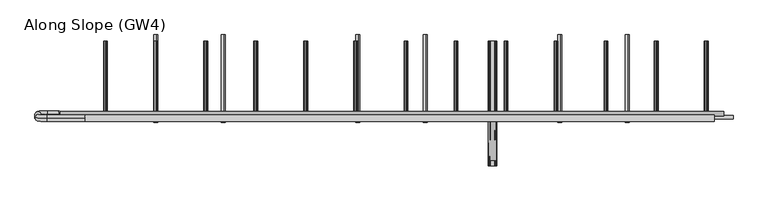
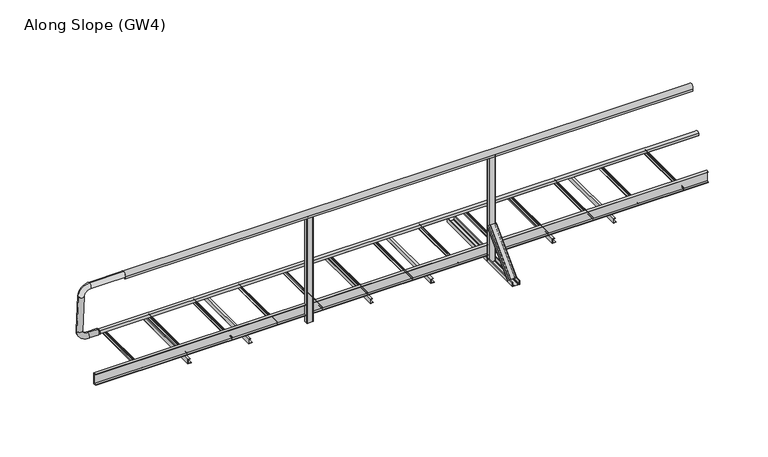
"""IFC4 building model written with IfcOpenShell, lengths in millimetres: proxy geometry, Along Slope (GW4)."""

from ifc_helpers import new_model, si_unit, point, frame, frame_2d, origin, place, context, project, spatial, polyline, circle_curve, ellipse_curve, trimmed, segment, composite_curve, outline, extrude, source, transform, mapped, element, save
from ifc_brep_helpers import plane_surface, cylinder_surface, revolved_surface, extruded_surface, advanced_brep


def along_slope_gw4_7d878443(model_context):
    return source(origin(), model_context, "Body", "SolidModel", [
        extrude(outline(polyline([(-622.0, 63.0), (-622.0, 66.0), (-600.0, 66.0), (-600.0, 160.0), (-622.0, 160.0), (-622.0, 163.0), (-597.0, 163.0), (-597.0, 63.0), (-622.0, 63.0)])), frame((0.0, 0.0, 0.0), z_axis=(1.0, 0.0, 0.0), x_axis=(0.0, 1.0, 0.0)), (0.0, 0.0, 1.0), 5430.0),
        extrude(outline(polyline([(2e-07, 4598.7777778), (2.0000002, 4598.7777778), (2.0000002, 4570.7777778), (38.0000002, 4570.7777778), (38.0000002, 4588.7777778), (40.0000002, 4588.7777778), (40.0000002, 4568.7777778), (2e-07, 4568.7777778), (2e-07, 4598.7777778)])), frame((0.0, -650.0, 0.0), z_axis=(0.0, 1.0, 0.0), x_axis=(0.0, 0.0, 1.0)), (0.0, 0.0, 1.0), 700.0),
        extrude(outline(polyline([(2e-07, 4060.5555556), (2.0000002, 4060.5555556), (2.0000002, 4032.5555556), (38.0000002, 4032.5555556), (38.0000002, 4050.5555556), (40.0000002, 4050.5555556), (40.0000002, 4030.5555556), (2e-07, 4030.5555556), (2e-07, 4060.5555556)])), frame((0.0, -650.0, 0.0), z_axis=(0.0, 1.0, 0.0), x_axis=(0.0, 0.0, 1.0)), (0.0, 0.0, 1.0), 700.0),
        extrude(outline(composite_curve([segment(trimmed(circle_curve(frame_2d((62.9683907, 5223.75)), 6.25), [point((67.8614305, 5219.8614704))], [point((60.2402402, 5218.1268608))], False, "CARTESIAN"), True, "CONTINUOUS"), segment(trimmed(circle_curve(frame_2d((59.3468026, 5216.2853478)), 2.0468026), [point((60.2402402, 5218.1268608))], [point((57.3, 5216.2853478))], True, "CARTESIAN"), True, "CONTINUOUS"), segment(polyline([(57.3, 5216.2853478), (57.3, 5201.5)]), True, "CONTINUOUS"), segment(trimmed(circle_curve(frame_2d((55.8, 5201.5)), 1.5), [point((57.3, 5201.5))], [point((55.8, 5200.0))], False, "CARTESIAN"), True, "CONTINUOUS"), segment(polyline([(55.8, 5200.0), (55.0, 5200.0), (55.0, 5221.9783691)]), True, "CONTINUOUS"), segment(trimmed(circle_curve(frame_2d((64.084859, 5221.098018)), 9.1274138), [point((55.0, 5221.9783691))], [point((60.5433217, 5229.510342))], False, "CARTESIAN"), True, "CONTINUOUS"), segment(trimmed(circle_curve(frame_2d((62.9683907, 5223.75)), 6.25), [point((60.5433217, 5229.510342))], [point((67.8614305, 5227.6385296))], False, "CARTESIAN"), True, "CONTINUOUS"), segment(trimmed(circle_curve(frame_2d((67.2653483, 5227.1648193)), 0.7613904), [point((67.8614305, 5227.6385296))], [point((66.7916381, 5226.5687372))], False, "CARTESIAN"), True, "CONTINUOUS"), segment(trimmed(circle_curve(frame_2d((62.9683907, 5223.75)), 4.75), [point((66.7916381, 5226.5687372))], [point((66.7916381, 5220.9312628))], True, "CARTESIAN"), True, "CONTINUOUS"), segment(trimmed(circle_curve(frame_2d((67.2653483, 5220.3351807)), 0.7613904), [point((66.7916381, 5220.9312628))], [point((67.8614305, 5219.8614704))], False, "CARTESIAN"), True, "CONTINUOUS")], self_intersect=False)), frame((0.0, -600.0, 0.0), z_axis=(0.0, 1.0, 0.0), x_axis=(0.0, 0.0, 1.0)), (0.0, 0.0, 1.0), 600.0),
        extrude(outline(composite_curve([segment(trimmed(circle_curve(frame_2d((62.9683907, 4823.75)), 6.25), [point((67.8614305, 4819.8614704))], [point((60.2402402, 4818.1268608))], False, "CARTESIAN"), True, "CONTINUOUS"), segment(trimmed(circle_curve(frame_2d((59.3468026, 4816.2853478)), 2.0468026), [point((60.2402402, 4818.1268608))], [point((57.3, 4816.2853478))], True, "CARTESIAN"), True, "CONTINUOUS"), segment(polyline([(57.3, 4816.2853478), (57.3, 4801.5)]), True, "CONTINUOUS"), segment(trimmed(circle_curve(frame_2d((55.8, 4801.5)), 1.5), [point((57.3, 4801.5))], [point((55.8, 4800.0))], False, "CARTESIAN"), True, "CONTINUOUS"), segment(polyline([(55.8, 4800.0), (55.0, 4800.0), (55.0, 4821.9783691)]), True, "CONTINUOUS"), segment(trimmed(circle_curve(frame_2d((64.084859, 4821.098018)), 9.1274138), [point((55.0, 4821.9783691))], [point((60.5433217, 4829.510342))], False, "CARTESIAN"), True, "CONTINUOUS"), segment(trimmed(circle_curve(frame_2d((62.9683907, 4823.75)), 6.25), [point((60.5433217, 4829.510342))], [point((67.8614305, 4827.6385296))], False, "CARTESIAN"), True, "CONTINUOUS"), segment(trimmed(circle_curve(frame_2d((67.2653483, 4827.1648193)), 0.7613904), [point((67.8614305, 4827.6385296))], [point((66.7916381, 4826.5687372))], False, "CARTESIAN"), True, "CONTINUOUS"), segment(trimmed(circle_curve(frame_2d((62.9683907, 4823.75)), 4.75), [point((66.7916381, 4826.5687372))], [point((66.7916381, 4820.9312628))], True, "CARTESIAN"), True, "CONTINUOUS"), segment(trimmed(circle_curve(frame_2d((67.2653483, 4820.3351807)), 0.7613904), [point((66.7916381, 4820.9312628))], [point((67.8614305, 4819.8614704))], False, "CARTESIAN"), True, "CONTINUOUS")], self_intersect=False)), frame((0.0, -600.0, 0.0), z_axis=(0.0, 1.0, 0.0), x_axis=(0.0, 0.0, 1.0)), (0.0, 0.0, 1.0), 600.0),
        extrude(outline(composite_curve([segment(trimmed(circle_curve(frame_2d((62.9683907, 4423.75)), 6.25), [point((67.8614305, 4419.8614704))], [point((60.2402402, 4418.1268608))], False, "CARTESIAN"), True, "CONTINUOUS"), segment(trimmed(circle_curve(frame_2d((59.3468026, 4416.2853478)), 2.0468026), [point((60.2402402, 4418.1268608))], [point((57.3, 4416.2853478))], True, "CARTESIAN"), True, "CONTINUOUS"), segment(polyline([(57.3, 4416.2853478), (57.3, 4401.5)]), True, "CONTINUOUS"), segment(trimmed(circle_curve(frame_2d((55.8, 4401.5)), 1.5), [point((57.3, 4401.5))], [point((55.8, 4400.0))], False, "CARTESIAN"), True, "CONTINUOUS"), segment(polyline([(55.8, 4400.0), (55.0, 4400.0), (55.0, 4421.9783691)]), True, "CONTINUOUS"), segment(trimmed(circle_curve(frame_2d((64.084859, 4421.098018)), 9.1274138), [point((55.0, 4421.9783691))], [point((60.5433217, 4429.510342))], False, "CARTESIAN"), True, "CONTINUOUS"), segment(trimmed(circle_curve(frame_2d((62.9683907, 4423.75)), 6.25), [point((60.5433217, 4429.510342))], [point((67.8614305, 4427.6385296))], False, "CARTESIAN"), True, "CONTINUOUS"), segment(trimmed(circle_curve(frame_2d((67.2653483, 4427.1648193)), 0.7613904), [point((67.8614305, 4427.6385296))], [point((66.7916381, 4426.5687372))], False, "CARTESIAN"), True, "CONTINUOUS"), segment(trimmed(circle_curve(frame_2d((62.9683907, 4423.75)), 4.75), [point((66.7916381, 4426.5687372))], [point((66.7916381, 4420.9312628))], True, "CARTESIAN"), True, "CONTINUOUS"), segment(trimmed(circle_curve(frame_2d((67.2653483, 4420.3351807)), 0.7613904), [point((66.7916381, 4420.9312628))], [point((67.8614305, 4419.8614704))], False, "CARTESIAN"), True, "CONTINUOUS")], self_intersect=False)), frame((0.0, -600.0, 0.0), z_axis=(0.0, 1.0, 0.0), x_axis=(0.0, 0.0, 1.0)), (0.0, 0.0, 1.0), 600.0),
        extrude(outline(composite_curve([segment(trimmed(circle_curve(frame_2d((62.9683907, 4023.75)), 6.25), [point((67.8614305, 4019.8614704))], [point((60.2402402, 4018.1268608))], False, "CARTESIAN"), True, "CONTINUOUS"), segment(trimmed(circle_curve(frame_2d((59.3468026, 4016.2853478)), 2.0468026), [point((60.2402402, 4018.1268608))], [point((57.3, 4016.2853478))], True, "CARTESIAN"), True, "CONTINUOUS"), segment(polyline([(57.3, 4016.2853478), (57.3, 4001.5)]), True, "CONTINUOUS"), segment(trimmed(circle_curve(frame_2d((55.8, 4001.5)), 1.5), [point((57.3, 4001.5))], [point((55.8, 4000.0))], False, "CARTESIAN"), True, "CONTINUOUS"), segment(polyline([(55.8, 4000.0), (55.0, 4000.0), (55.0, 4021.9783691)]), True, "CONTINUOUS"), segment(trimmed(circle_curve(frame_2d((64.084859, 4021.098018)), 9.1274138), [point((55.0, 4021.9783691))], [point((60.5433217, 4029.510342))], False, "CARTESIAN"), True, "CONTINUOUS"), segment(trimmed(circle_curve(frame_2d((62.9683907, 4023.75)), 6.25), [point((60.5433217, 4029.510342))], [point((67.8614305, 4027.6385296))], False, "CARTESIAN"), True, "CONTINUOUS"), segment(trimmed(circle_curve(frame_2d((67.2653483, 4027.1648193)), 0.7613904), [point((67.8614305, 4027.6385296))], [point((66.7916381, 4026.5687372))], False, "CARTESIAN"), True, "CONTINUOUS"), segment(trimmed(circle_curve(frame_2d((62.9683907, 4023.75)), 4.75), [point((66.7916381, 4026.5687372))], [point((66.7916381, 4020.9312628))], True, "CARTESIAN"), True, "CONTINUOUS"), segment(trimmed(circle_curve(frame_2d((67.2653483, 4020.3351807)), 0.7613904), [point((66.7916381, 4020.9312628))], [point((67.8614305, 4019.8614704))], False, "CARTESIAN"), True, "CONTINUOUS")], self_intersect=False)), frame((0.0, -600.0, 0.0), z_axis=(0.0, 1.0, 0.0), x_axis=(0.0, 0.0, 1.0)), (0.0, 0.0, 1.0), 600.0),
        extrude(outline(composite_curve([segment(trimmed(circle_curve(frame_2d((62.9683907, 3623.75)), 6.25), [point((67.8614305, 3619.8614704))], [point((60.2402402, 3618.1268608))], False, "CARTESIAN"), True, "CONTINUOUS"), segment(trimmed(circle_curve(frame_2d((59.3468026, 3616.2853478)), 2.0468026), [point((60.2402402, 3618.1268608))], [point((57.3, 3616.2853478))], True, "CARTESIAN"), True, "CONTINUOUS"), segment(polyline([(57.3, 3616.2853478), (57.3, 3601.5)]), True, "CONTINUOUS"), segment(trimmed(circle_curve(frame_2d((55.8, 3601.5)), 1.5), [point((57.3, 3601.5))], [point((55.8, 3600.0))], False, "CARTESIAN"), True, "CONTINUOUS"), segment(polyline([(55.8, 3600.0), (55.0, 3600.0), (55.0, 3621.9783691)]), True, "CONTINUOUS"), segment(trimmed(circle_curve(frame_2d((64.084859, 3621.098018)), 9.1274138), [point((55.0, 3621.9783691))], [point((60.5433217, 3629.510342))], False, "CARTESIAN"), True, "CONTINUOUS"), segment(trimmed(circle_curve(frame_2d((62.9683907, 3623.75)), 6.25), [point((60.5433217, 3629.510342))], [point((67.8614305, 3627.6385296))], False, "CARTESIAN"), True, "CONTINUOUS"), segment(trimmed(circle_curve(frame_2d((67.2653483, 3627.1648193)), 0.7613904), [point((67.8614305, 3627.6385296))], [point((66.7916381, 3626.5687372))], False, "CARTESIAN"), True, "CONTINUOUS"), segment(trimmed(circle_curve(frame_2d((62.9683907, 3623.75)), 4.75), [point((66.7916381, 3626.5687372))], [point((66.7916381, 3620.9312628))], True, "CARTESIAN"), True, "CONTINUOUS"), segment(trimmed(circle_curve(frame_2d((67.2653483, 3620.3351807)), 0.7613904), [point((66.7916381, 3620.9312628))], [point((67.8614305, 3619.8614704))], False, "CARTESIAN"), True, "CONTINUOUS")], self_intersect=False)), frame((0.0, -600.0, 0.0), z_axis=(0.0, 1.0, 0.0), x_axis=(0.0, 0.0, 1.0)), (0.0, 0.0, 1.0), 600.0),
        extrude(outline(composite_curve([segment(trimmed(circle_curve(frame_2d((62.9683907, 3223.75)), 6.25), [point((67.8614305, 3219.8614704))], [point((60.2402402, 3218.1268608))], False, "CARTESIAN"), True, "CONTINUOUS"), segment(trimmed(circle_curve(frame_2d((59.3468026, 3216.2853478)), 2.0468026), [point((60.2402402, 3218.1268608))], [point((57.3, 3216.2853478))], True, "CARTESIAN"), True, "CONTINUOUS"), segment(polyline([(57.3, 3216.2853478), (57.3, 3201.5)]), True, "CONTINUOUS"), segment(trimmed(circle_curve(frame_2d((55.8, 3201.5)), 1.5), [point((57.3, 3201.5))], [point((55.8, 3200.0))], False, "CARTESIAN"), True, "CONTINUOUS"), segment(polyline([(55.8, 3200.0), (55.0, 3200.0), (55.0, 3221.9783691)]), True, "CONTINUOUS"), segment(trimmed(circle_curve(frame_2d((64.084859, 3221.098018)), 9.1274138), [point((55.0, 3221.9783691))], [point((60.5433217, 3229.510342))], False, "CARTESIAN"), True, "CONTINUOUS"), segment(trimmed(circle_curve(frame_2d((62.9683907, 3223.75)), 6.25), [point((60.5433217, 3229.510342))], [point((67.8614305, 3227.6385296))], False, "CARTESIAN"), True, "CONTINUOUS"), segment(trimmed(circle_curve(frame_2d((67.2653483, 3227.1648193)), 0.7613904), [point((67.8614305, 3227.6385296))], [point((66.7916381, 3226.5687372))], False, "CARTESIAN"), True, "CONTINUOUS"), segment(trimmed(circle_curve(frame_2d((62.9683907, 3223.75)), 4.75), [point((66.7916381, 3226.5687372))], [point((66.7916381, 3220.9312628))], True, "CARTESIAN"), True, "CONTINUOUS"), segment(trimmed(circle_curve(frame_2d((67.2653483, 3220.3351807)), 0.7613904), [point((66.7916381, 3220.9312628))], [point((67.8614305, 3219.8614704))], False, "CARTESIAN"), True, "CONTINUOUS")], self_intersect=False)), frame((0.0, -600.0, 0.0), z_axis=(0.0, 1.0, 0.0), x_axis=(0.0, 0.0, 1.0)), (0.0, 0.0, 1.0), 600.0),
        extrude(outline(composite_curve([segment(trimmed(circle_curve(frame_2d((62.9683907, 2823.75)), 6.25), [point((67.8614305, 2819.8614704))], [point((60.2402402, 2818.1268608))], False, "CARTESIAN"), True, "CONTINUOUS"), segment(trimmed(circle_curve(frame_2d((59.3468026, 2816.2853478)), 2.0468026), [point((60.2402402, 2818.1268608))], [point((57.3, 2816.2853478))], True, "CARTESIAN"), True, "CONTINUOUS"), segment(polyline([(57.3, 2816.2853478), (57.3, 2801.5)]), True, "CONTINUOUS"), segment(trimmed(circle_curve(frame_2d((55.8, 2801.5)), 1.5), [point((57.3, 2801.5))], [point((55.8, 2800.0))], False, "CARTESIAN"), True, "CONTINUOUS"), segment(polyline([(55.8, 2800.0), (55.0, 2800.0), (55.0, 2821.9783691)]), True, "CONTINUOUS"), segment(trimmed(circle_curve(frame_2d((64.084859, 2821.098018)), 9.1274138), [point((55.0, 2821.9783691))], [point((60.5433217, 2829.510342))], False, "CARTESIAN"), True, "CONTINUOUS"), segment(trimmed(circle_curve(frame_2d((62.9683907, 2823.75)), 6.25), [point((60.5433217, 2829.510342))], [point((67.8614305, 2827.6385296))], False, "CARTESIAN"), True, "CONTINUOUS"), segment(trimmed(circle_curve(frame_2d((67.2653483, 2827.1648193)), 0.7613904), [point((67.8614305, 2827.6385296))], [point((66.7916381, 2826.5687372))], False, "CARTESIAN"), True, "CONTINUOUS"), segment(trimmed(circle_curve(frame_2d((62.9683907, 2823.75)), 4.75), [point((66.7916381, 2826.5687372))], [point((66.7916381, 2820.9312628))], True, "CARTESIAN"), True, "CONTINUOUS"), segment(trimmed(circle_curve(frame_2d((67.2653483, 2820.3351807)), 0.7613904), [point((66.7916381, 2820.9312628))], [point((67.8614305, 2819.8614704))], False, "CARTESIAN"), True, "CONTINUOUS")], self_intersect=False)), frame((0.0, -600.0, 0.0), z_axis=(0.0, 1.0, 0.0), x_axis=(0.0, 0.0, 1.0)), (0.0, 0.0, 1.0), 600.0),
        extrude(outline(composite_curve([segment(trimmed(circle_curve(frame_2d((62.9683907, 2423.75)), 6.25), [point((67.8614305, 2419.8614704))], [point((60.2402402, 2418.1268608))], False, "CARTESIAN"), True, "CONTINUOUS"), segment(trimmed(circle_curve(frame_2d((59.3468026, 2416.2853478)), 2.0468026), [point((60.2402402, 2418.1268608))], [point((57.3, 2416.2853478))], True, "CARTESIAN"), True, "CONTINUOUS"), segment(polyline([(57.3, 2416.2853478), (57.3, 2401.5)]), True, "CONTINUOUS"), segment(trimmed(circle_curve(frame_2d((55.8, 2401.5)), 1.5), [point((57.3, 2401.5))], [point((55.8, 2400.0))], False, "CARTESIAN"), True, "CONTINUOUS"), segment(polyline([(55.8, 2400.0), (55.0, 2400.0), (55.0, 2421.9783691)]), True, "CONTINUOUS"), segment(trimmed(circle_curve(frame_2d((64.084859, 2421.098018)), 9.1274138), [point((55.0, 2421.9783691))], [point((60.5433217, 2429.510342))], False, "CARTESIAN"), True, "CONTINUOUS"), segment(trimmed(circle_curve(frame_2d((62.9683907, 2423.75)), 6.25), [point((60.5433217, 2429.510342))], [point((67.8614305, 2427.6385296))], False, "CARTESIAN"), True, "CONTINUOUS"), segment(trimmed(circle_curve(frame_2d((67.2653483, 2427.1648193)), 0.7613904), [point((67.8614305, 2427.6385296))], [point((66.7916381, 2426.5687372))], False, "CARTESIAN"), True, "CONTINUOUS"), segment(trimmed(circle_curve(frame_2d((62.9683907, 2423.75)), 4.75), [point((66.7916381, 2426.5687372))], [point((66.7916381, 2420.9312628))], True, "CARTESIAN"), True, "CONTINUOUS"), segment(trimmed(circle_curve(frame_2d((67.2653483, 2420.3351807)), 0.7613904), [point((66.7916381, 2420.9312628))], [point((67.8614305, 2419.8614704))], False, "CARTESIAN"), True, "CONTINUOUS")], self_intersect=False)), frame((0.0, -600.0, 0.0), z_axis=(0.0, 1.0, 0.0), x_axis=(0.0, 0.0, 1.0)), (0.0, 0.0, 1.0), 600.0),
        extrude(outline(composite_curve([segment(trimmed(circle_curve(frame_2d((62.9683907, 2023.75)), 6.25), [point((67.8614305, 2019.8614704))], [point((60.2402402, 2018.1268608))], False, "CARTESIAN"), True, "CONTINUOUS"), segment(trimmed(circle_curve(frame_2d((59.3468026, 2016.2853478)), 2.0468026), [point((60.2402402, 2018.1268608))], [point((57.3, 2016.2853478))], True, "CARTESIAN"), True, "CONTINUOUS"), segment(polyline([(57.3, 2016.2853478), (57.3, 2001.5)]), True, "CONTINUOUS"), segment(trimmed(circle_curve(frame_2d((55.8, 2001.5)), 1.5), [point((57.3, 2001.5))], [point((55.8, 2000.0))], False, "CARTESIAN"), True, "CONTINUOUS"), segment(polyline([(55.8, 2000.0), (55.0, 2000.0), (55.0, 2021.9783691)]), True, "CONTINUOUS"), segment(trimmed(circle_curve(frame_2d((64.084859, 2021.098018)), 9.1274138), [point((55.0, 2021.9783691))], [point((60.5433217, 2029.510342))], False, "CARTESIAN"), True, "CONTINUOUS"), segment(trimmed(circle_curve(frame_2d((62.9683907, 2023.75)), 6.25), [point((60.5433217, 2029.510342))], [point((67.8614305, 2027.6385296))], False, "CARTESIAN"), True, "CONTINUOUS"), segment(trimmed(circle_curve(frame_2d((67.2653483, 2027.1648193)), 0.7613904), [point((67.8614305, 2027.6385296))], [point((66.7916381, 2026.5687372))], False, "CARTESIAN"), True, "CONTINUOUS"), segment(trimmed(circle_curve(frame_2d((62.9683907, 2023.75)), 4.75), [point((66.7916381, 2026.5687372))], [point((66.7916381, 2020.9312628))], True, "CARTESIAN"), True, "CONTINUOUS"), segment(trimmed(circle_curve(frame_2d((67.2653483, 2020.3351807)), 0.7613904), [point((66.7916381, 2020.9312628))], [point((67.8614305, 2019.8614704))], False, "CARTESIAN"), True, "CONTINUOUS")], self_intersect=False)), frame((0.0, -600.0, 0.0), z_axis=(0.0, 1.0, 0.0), x_axis=(0.0, 0.0, 1.0)), (0.0, 0.0, 1.0), 600.0),
        extrude(outline(composite_curve([segment(trimmed(circle_curve(frame_2d((62.9683907, 1623.75)), 6.25), [point((67.8614305, 1619.8614704))], [point((60.2402402, 1618.1268608))], False, "CARTESIAN"), True, "CONTINUOUS"), segment(trimmed(circle_curve(frame_2d((59.3468026, 1616.2853478)), 2.0468026), [point((60.2402402, 1618.1268608))], [point((57.3, 1616.2853478))], True, "CARTESIAN"), True, "CONTINUOUS"), segment(polyline([(57.3, 1616.2853478), (57.3, 1601.5)]), True, "CONTINUOUS"), segment(trimmed(circle_curve(frame_2d((55.8, 1601.5)), 1.5), [point((57.3, 1601.5))], [point((55.8, 1600.0))], False, "CARTESIAN"), True, "CONTINUOUS"), segment(polyline([(55.8, 1600.0), (55.0, 1600.0), (55.0, 1621.9783691)]), True, "CONTINUOUS"), segment(trimmed(circle_curve(frame_2d((64.084859, 1621.098018)), 9.1274138), [point((55.0, 1621.9783691))], [point((60.5433217, 1629.510342))], False, "CARTESIAN"), True, "CONTINUOUS"), segment(trimmed(circle_curve(frame_2d((62.9683907, 1623.75)), 6.25), [point((60.5433217, 1629.510342))], [point((67.8614305, 1627.6385296))], False, "CARTESIAN"), True, "CONTINUOUS"), segment(trimmed(circle_curve(frame_2d((67.2653483, 1627.1648193)), 0.7613904), [point((67.8614305, 1627.6385296))], [point((66.7916381, 1626.5687372))], False, "CARTESIAN"), True, "CONTINUOUS"), segment(trimmed(circle_curve(frame_2d((62.9683907, 1623.75)), 4.75), [point((66.7916381, 1626.5687372))], [point((66.7916381, 1620.9312628))], True, "CARTESIAN"), True, "CONTINUOUS"), segment(trimmed(circle_curve(frame_2d((67.2653483, 1620.3351807)), 0.7613904), [point((66.7916381, 1620.9312628))], [point((67.8614305, 1619.8614704))], False, "CARTESIAN"), True, "CONTINUOUS")], self_intersect=False)), frame((0.0, -600.0, 0.0), z_axis=(0.0, 1.0, 0.0), x_axis=(0.0, 0.0, 1.0)), (0.0, 0.0, 1.0), 600.0),
        extrude(outline(composite_curve([segment(trimmed(circle_curve(frame_2d((62.9683907, 1223.75)), 6.25), [point((67.8614305, 1219.8614704))], [point((60.2402402, 1218.1268608))], False, "CARTESIAN"), True, "CONTINUOUS"), segment(trimmed(circle_curve(frame_2d((59.3468026, 1216.2853478)), 2.0468026), [point((60.2402402, 1218.1268608))], [point((57.3, 1216.2853478))], True, "CARTESIAN"), True, "CONTINUOUS"), segment(polyline([(57.3, 1216.2853478), (57.3, 1201.5)]), True, "CONTINUOUS"), segment(trimmed(circle_curve(frame_2d((55.8, 1201.5)), 1.5), [point((57.3, 1201.5))], [point((55.8, 1200.0))], False, "CARTESIAN"), True, "CONTINUOUS"), segment(polyline([(55.8, 1200.0), (55.0, 1200.0), (55.0, 1221.9783691)]), True, "CONTINUOUS"), segment(trimmed(circle_curve(frame_2d((64.084859, 1221.098018)), 9.1274138), [point((55.0, 1221.9783691))], [point((60.5433217, 1229.510342))], False, "CARTESIAN"), True, "CONTINUOUS"), segment(trimmed(circle_curve(frame_2d((62.9683907, 1223.75)), 6.25), [point((60.5433217, 1229.510342))], [point((67.8614305, 1227.6385296))], False, "CARTESIAN"), True, "CONTINUOUS"), segment(trimmed(circle_curve(frame_2d((67.2653483, 1227.1648193)), 0.7613904), [point((67.8614305, 1227.6385296))], [point((66.7916381, 1226.5687372))], False, "CARTESIAN"), True, "CONTINUOUS"), segment(trimmed(circle_curve(frame_2d((62.9683907, 1223.75)), 4.75), [point((66.7916381, 1226.5687372))], [point((66.7916381, 1220.9312628))], True, "CARTESIAN"), True, "CONTINUOUS"), segment(trimmed(circle_curve(frame_2d((67.2653483, 1220.3351807)), 0.7613904), [point((66.7916381, 1220.9312628))], [point((67.8614305, 1219.8614704))], False, "CARTESIAN"), True, "CONTINUOUS")], self_intersect=False)), frame((0.0, -600.0, 0.0), z_axis=(0.0, 1.0, 0.0), x_axis=(0.0, 0.0, 1.0)), (0.0, 0.0, 1.0), 600.0),
        advanced_brep(
        [(50.0, -584.3, 508.0), (50.0, -584.3, 548.0), (40.0, -584.3, 503.0), (40.0, -584.3, 553.0)],
        [
            (0, 1, circle_curve(frame((50.0, -584.3, 528.0), z_axis=(1.0, 0.0, 0.0), x_axis=(0.0, 0.0, -1.0)), 20.0)),
            (1, 0, circle_curve(frame((50.0, -584.3, 528.0), z_axis=(1.0, 0.0, 0.0), x_axis=(0.0, 0.0, 1.0)), 20.0)),
            (2, 3, circle_curve(frame((40.0, -584.3, 528.0), z_axis=(-1.0, 0.0, 0.0), x_axis=(0.0, 0.0, 1.0)), 25.0)),
            (3, 2, circle_curve(frame((40.0, -584.3, 528.0), z_axis=(-1.0, 0.0, 0.0), x_axis=(0.0, 0.0, -1.0)), 25.0)),
            (3, 1),
            (0, 2),
        ],
        [
            plane_surface(frame((50.0, -584.3, 528.0), z_axis=(1.0, 0.0, 0.0), x_axis=(0.0, 1.0, 0.0))),
            plane_surface(frame((40.0, -584.3, 528.0), z_axis=(-1.0, 0.0, 0.0), x_axis=(0.0, 1.0, 0.0))),
            revolved_surface(polyline([(50.0, -584.3, 508.0), (40.0, -584.3, 503.0)]), (90.0, -584.3, 528.0), (-1.0, 0.0, 0.0)),
            revolved_surface(polyline([(50.0, -584.3, 548.0), (40.0, -584.3, 553.0)]), (90.0, -584.3, 528.0), (-1.0, 0.0, 0.0)),
        ],
        [
            (0, [[1, 2]]),
            (1, [[3, 4]]),
            (2, [[-4, 5, -1, 6]]),
            (3, [[-3, -6, -2, -5]]),
        ],
    ),
        advanced_brep(
        [(250.0, -620.7768095, 1039.936779), (250.0, -617.2231905, 990.063221), (-50.0, -620.7768095, 1039.936779), (-50.0, -617.2231905, 990.063221), (-100.0, -613.6695715, 940.1896629), (-150.0, -613.6695715, 940.1896629), (-150.0, -589.6399996, 602.9446635), (-100.0, -589.6399996, 602.9446635), (-50.0, -586.0863806, 553.0711054), (-50.0, -582.5327616, 503.1975474), (40.0, -582.5327616, 503.1975474), (40.0, -586.0863806, 553.0711054)],
        [
            (0, 1, circle_curve(frame((250.0, -619.0, 1015.0), z_axis=(1.0, 0.0, 0.0), x_axis=(0.0, 0.0710723804551099, -0.9974711608545103)), 25.0)),
            (1, 0, circle_curve(frame((250.0, -619.0, 1015.0), z_axis=(1.0, 0.0, 0.0), x_axis=(0.0, 0.0710723804551099, -0.9974711608545103)), 25.0)),
            (0, 2),
            (2, 3, circle_curve(frame((-50.0, -619.0, 1015.0), z_axis=(1.0, 0.0, 0.0), x_axis=(0.0, 0.0710723804551099, -0.9974711608545103)), 25.0)),
            (3, 1),
            (3, 2, circle_curve(frame((-50.0, -619.0, 1015.0), z_axis=(1.0, 0.0, 0.0), x_axis=(0.0, 0.0710723804551099, -0.9974711608545103)), 25.0)),
            (4, 3, circle_curve(frame((-50.0, -613.6695715, 940.1896629), z_axis=(0.0, 0.9974711608545103, 0.0710723804551099), x_axis=(0.0, -0.0710723804551099, 0.9974711608545103)), 50.0)),
            (2, 5, circle_curve(frame((-50.0, -613.6695715, 940.1896629), z_axis=(0.0, -0.9974711608545103, -0.0710723804551099), x_axis=(0.0, -0.0710723804551099, 0.9974711608545103)), 100.0)),
            (5, 4, circle_curve(frame((-125.0, -613.6695715, 940.1896629), z_axis=(0.0, -0.0710723804551099, 0.9974711608545103), x_axis=(1.0000000000000002, 0.0, 0.0)), 25.0)),
            (4, 5, circle_curve(frame((-125.0, -613.6695715, 940.1896629), z_axis=(0.0, -0.0710723804551099, 0.9974711608545103), x_axis=(1.0000000000000002, 0.0, 0.0)), 25.0)),
            (5, 6),
            (6, 7, circle_curve(frame((-125.0, -589.6399996, 602.9446635), z_axis=(0.0, -0.07107238045510993, 0.9974711608545104), x_axis=(1.0, 0.0, 0.0)), 25.0)),
            (7, 4),
            (7, 6, circle_curve(frame((-125.0, -589.6399996, 602.9446635), z_axis=(0.0, -0.07107238045510993, 0.9974711608545104), x_axis=(1.0, 0.0, 0.0)), 25.0)),
            (8, 7, circle_curve(frame((-50.0, -589.6399996, 602.9446635), z_axis=(0.0, 0.9974711608545103, 0.0710723804551099), x_axis=(-1.0, 0.0, 0.0)), 50.0)),
            (6, 9, circle_curve(frame((-50.0, -589.6399996, 602.9446635), z_axis=(0.0, -0.9974711608545103, -0.0710723804551099), x_axis=(-1.0, 0.0, 0.0)), 100.0)),
            (9, 8, circle_curve(frame((-50.0, -584.3095711, 528.1343264), z_axis=(-1.0, 0.0, 0.0), x_axis=(0.0, -0.07107238045510991, 0.9974711608545103)), 25.0)),
            (8, 9, circle_curve(frame((-50.0, -584.3095711, 528.1343264), z_axis=(-1.0, 0.0, 0.0), x_axis=(0.0, -0.07107238045510991, 0.9974711608545103)), 25.0)),
            (10, 11, circle_curve(frame((40.0, -584.3095711, 528.1343264), z_axis=(1.0, 0.0, 0.0), x_axis=(0.0, -0.0710723804551099, 0.9974711608545103)), 25.0)),
            (11, 10, circle_curve(frame((40.0, -584.3095711, 528.1343264), z_axis=(1.0, 0.0, 0.0), x_axis=(0.0, -0.0710723804551099, 0.9974711608545103)), 25.0)),
            (9, 10),
            (11, 8),
        ],
        [
            plane_surface(frame((250.0, -620.7768095, 1039.936779), z_axis=(1.0000000000000002, 0.0, 0.0), x_axis=(0.0, -0.9974711608545103, -0.0710723804551099))),
            cylinder_surface(frame((250.0, -619.0, 1015.0), z_axis=(1.0000000000000002, 0.0, 0.0), x_axis=(0.0, 0.0710723804551099, -0.9974711608545103)), 25.0),
            revolved_surface(trimmed(ellipse_curve(frame((-50.0, -619.0, 1015.0), z_axis=(1.0000000000000002, 0.0, 0.0), x_axis=(0.0, 0.0710723804551099, -0.9974711608545103)), 25.0, 25.0), [point((-50.0, -620.7768095, 1039.936779))], [point((-50.0, -617.2231905, 990.063221))], True, "CARTESIAN"), (-50.0, -613.6695715, 940.1896629), (0.0, -0.9974711608545103, -0.0710723804551099)),
            revolved_surface(trimmed(ellipse_curve(frame((-50.0, -619.0, 1015.0), z_axis=(1.0000000000000002, 0.0, 0.0), x_axis=(0.0, 0.0710723804551099, -0.9974711608545103)), 25.0, 25.0), [point((-50.0, -617.2231905, 990.063221))], [point((-50.0, -620.7768095, 1039.936779))], True, "CARTESIAN"), (-50.0, -613.6695715, 940.1896629), (0.0, -0.9974711608545103, -0.0710723804551099)),
            cylinder_surface(frame((-125.0, -613.6695715, 940.1896629), z_axis=(0.0, -0.07107238045510991, 0.9974711608545102), x_axis=(1.0, 0.0, 0.0)), 25.0),
            revolved_surface(trimmed(ellipse_curve(frame((-125.0, -589.6399996, 602.9446635), z_axis=(0.0, -0.07107238045510993, 0.9974711608545103), x_axis=(1.0, 0.0, 0.0)), 25.0, 25.0), [point((-150.0, -589.6399996, 602.9446635))], [point((-100.0, -589.6399996, 602.9446635))], True, "CARTESIAN"), (-50.0, -589.6399996, 602.9446635), (0.0, -0.9974711608545103, -0.0710723804551099)),
            revolved_surface(trimmed(ellipse_curve(frame((-125.0, -589.6399996, 602.9446635), z_axis=(0.0, -0.07107238045510993, 0.9974711608545103), x_axis=(1.0, 0.0, 0.0)), 25.0, 25.0), [point((-100.0, -589.6399996, 602.9446635))], [point((-150.0, -589.6399996, 602.9446635))], True, "CARTESIAN"), (-50.0, -589.6399996, 602.9446635), (0.0, -0.9974711608545103, -0.0710723804551099)),
            plane_surface(frame((40.0, -582.5327616, 503.1975474), z_axis=(1.0000000000000002, 0.0, 0.0), x_axis=(0.0, -0.9974711608545103, -0.0710723804551099))),
            cylinder_surface(frame((-50.0, -584.3095711, 528.1343264), z_axis=(-1.0, 0.0, 0.0), x_axis=(0.0, -0.0710723804551099, 0.9974711608545103)), 25.0),
        ],
        [
            (0, [[1, 2]]),
            (1, [[-1, 3, 4, 5]]),
            (1, [[-2, -5, 6, -3]]),
            (2, [[7, -4, 8, 9]]),
            (3, [[-8, -6, -7, 10]]),
            (4, [[-9, 11, 12, 13]]),
            (4, [[-10, -13, 14, -11]]),
            (5, [[15, -12, 16, 17]]),
            (6, [[-16, -14, -15, 18]]),
            (7, [[19, 20]]),
            (8, [[-17, 21, -20, 22]]),
            (8, [[-18, -22, -19, -21]]),
        ],
    ),
        extrude(outline(composite_curve([segment(trimmed(circle_curve(frame_2d((-584.287505, 528.0)), 20.0), [point((-565.7, 520.617273))], [point((-600.0, 515.6259343))], False, "CARTESIAN"), True, "CONTINUOUS"), segment(polyline([(-600.0, 515.6259343), (-600.0, 540.3740657)]), True, "CONTINUOUS"), segment(trimmed(circle_curve(frame_2d((-584.287505, 528.0)), 20.0), [point((-600.0, 540.3740657))], [point((-565.7, 535.382727))], False, "CARTESIAN"), True, "CONTINUOUS"), segment(polyline([(-565.7, 535.382727), (-569.7, 535.382727), (-569.7, 520.617273), (-565.7, 520.617273)]), True, "CONTINUOUS")], self_intersect=False)), frame((50.0, 0.0, 0.0), z_axis=(1.0, 0.0, 0.0), x_axis=(0.0, 1.0, 0.0)), (0.0, 0.0, 1.0), 5305.0),
        extrude(outline(composite_curve([segment(trimmed(circle_curve(frame_2d((-619.0, 1015.0)), 25.0), [point((-640.0, 1001.43534))], [point((-598.0, 1001.43534))], False, "CARTESIAN"), True, "CONTINUOUS"), segment(polyline([(-598.0, 1001.43534), (-598.0, 983.0), (-599.0, 983.0), (-599.0, 998.0), (-639.0, 998.0), (-639.0, 983.0), (-640.0, 983.0), (-640.0, 1001.43534)]), True, "CONTINUOUS")], self_intersect=False)), frame((250.0, 0.0, 0.0), z_axis=(1.0, 0.0, 0.0), x_axis=(0.0, 1.0, 0.0)), (0.0, 0.0, 1.0), 5030.0),
        extrude(outline(polyline([(2e-07, 2984.1111111), (2.0000002, 2984.1111111), (2.0000002, 2956.1111111), (38.0000002, 2956.1111111), (38.0000002, 2974.1111111), (40.0000002, 2974.1111111), (40.0000002, 2954.1111111), (2e-07, 2954.1111111), (2e-07, 2984.1111111)])), frame((0.0, -650.0, 0.0), z_axis=(0.0, 1.0, 0.0), x_axis=(0.0, 0.0, 1.0)), (0.0, 0.0, 1.0), 700.0),
        extrude(outline(polyline([(2e-07, 2445.8888889), (2.0000002, 2445.8888889), (2.0000002, 2417.8888889), (38.0000002, 2417.8888889), (38.0000002, 2435.8888889), (40.0000002, 2435.8888889), (40.0000002, 2415.8888889), (2e-07, 2415.8888889), (2e-07, 2445.8888889)])), frame((0.0, -650.0, 0.0), z_axis=(0.0, 1.0, 0.0), x_axis=(0.0, 0.0, 1.0)), (0.0, 0.0, 1.0), 700.0),
        extrude(outline(polyline([(2e-07, 1369.4444444), (2.0000002, 1369.4444444), (2.0000002, 1341.4444444), (38.0000002, 1341.4444444), (38.0000002, 1359.4444444), (40.0000002, 1359.4444444), (40.0000002, 1339.4444444), (2e-07, 1339.4444444), (2e-07, 1369.4444444)])), frame((0.0, -650.0, 0.0), z_axis=(0.0, 1.0, 0.0), x_axis=(0.0, 0.0, 1.0)), (0.0, 0.0, 1.0), 700.0),
        extrude(outline(polyline([(2e-07, 831.2222222), (2.0000002, 831.2222222), (2.0000002, 803.2222222), (38.0000002, 803.2222222), (38.0000002, 821.2222222), (40.0000002, 821.2222222), (40.0000002, 801.2222222), (2e-07, 801.2222222), (2e-07, 831.2222222)])), frame((0.0, -650.0, 0.0), z_axis=(0.0, 1.0, 0.0), x_axis=(0.0, 0.0, 1.0)), (0.0, 0.0, 1.0), 700.0),
        extrude(outline(composite_curve([segment(trimmed(circle_curve(frame_2d((62.9683907, 823.75)), 6.25), [point((67.8614305, 819.8614704))], [point((60.2402402, 818.1268608))], False, "CARTESIAN"), True, "CONTINUOUS"), segment(trimmed(circle_curve(frame_2d((59.3468026, 816.2853478)), 2.0468026), [point((60.2402402, 818.1268608))], [point((57.3, 816.2853478))], True, "CARTESIAN"), True, "CONTINUOUS"), segment(polyline([(57.3, 816.2853478), (57.3, 801.5)]), True, "CONTINUOUS"), segment(trimmed(circle_curve(frame_2d((55.8, 801.5)), 1.5), [point((57.3, 801.5))], [point((55.8, 800.0))], False, "CARTESIAN"), True, "CONTINUOUS"), segment(polyline([(55.8, 800.0), (55.0, 800.0), (55.0, 821.9783691)]), True, "CONTINUOUS"), segment(trimmed(circle_curve(frame_2d((64.084859, 821.098018)), 9.1274138), [point((55.0, 821.9783691))], [point((60.5433217, 829.510342))], False, "CARTESIAN"), True, "CONTINUOUS"), segment(trimmed(circle_curve(frame_2d((62.9683907, 823.75)), 6.25), [point((60.5433217, 829.510342))], [point((67.8614305, 827.6385296))], False, "CARTESIAN"), True, "CONTINUOUS"), segment(trimmed(circle_curve(frame_2d((67.2653483, 827.1648193)), 0.7613904), [point((67.8614305, 827.6385296))], [point((66.7916381, 826.5687372))], False, "CARTESIAN"), True, "CONTINUOUS"), segment(trimmed(circle_curve(frame_2d((62.9683907, 823.75)), 4.75), [point((66.7916381, 826.5687372))], [point((66.7916381, 820.9312628))], True, "CARTESIAN"), True, "CONTINUOUS"), segment(trimmed(circle_curve(frame_2d((67.2653483, 820.3351807)), 0.7613904), [point((66.7916381, 820.9312628))], [point((67.8614305, 819.8614704))], False, "CARTESIAN"), True, "CONTINUOUS")], self_intersect=False)), frame((0.0, -600.0, 0.0), z_axis=(0.0, 1.0, 0.0), x_axis=(0.0, 0.0, 1.0)), (0.0, 0.0, 1.0), 600.0),
        extrude(outline(composite_curve([segment(trimmed(circle_curve(frame_2d((62.9683907, 423.75)), 6.25), [point((67.8614305, 419.8614704))], [point((60.2402402, 418.1268608))], False, "CARTESIAN"), True, "CONTINUOUS"), segment(trimmed(circle_curve(frame_2d((59.3468026, 416.2853478)), 2.0468026), [point((60.2402402, 418.1268608))], [point((57.3, 416.2853478))], True, "CARTESIAN"), True, "CONTINUOUS"), segment(polyline([(57.3, 416.2853478), (57.3, 401.5)]), True, "CONTINUOUS"), segment(trimmed(circle_curve(frame_2d((55.8, 401.5)), 1.5), [point((57.3, 401.5))], [point((55.8, 400.0))], False, "CARTESIAN"), True, "CONTINUOUS"), segment(polyline([(55.8, 400.0), (55.0, 400.0), (55.0, 421.9783691)]), True, "CONTINUOUS"), segment(trimmed(circle_curve(frame_2d((64.084859, 421.098018)), 9.1274138), [point((55.0, 421.9783691))], [point((60.5433217, 429.510342))], False, "CARTESIAN"), True, "CONTINUOUS"), segment(trimmed(circle_curve(frame_2d((62.9683907, 423.75)), 6.25), [point((60.5433217, 429.510342))], [point((67.8614305, 427.6385296))], False, "CARTESIAN"), True, "CONTINUOUS"), segment(trimmed(circle_curve(frame_2d((67.2653483, 427.1648193)), 0.7613904), [point((67.8614305, 427.6385296))], [point((66.7916381, 426.5687372))], False, "CARTESIAN"), True, "CONTINUOUS"), segment(trimmed(circle_curve(frame_2d((62.9683907, 423.75)), 4.75), [point((66.7916381, 426.5687372))], [point((66.7916381, 420.9312628))], True, "CARTESIAN"), True, "CONTINUOUS"), segment(trimmed(circle_curve(frame_2d((67.2653483, 420.3351807)), 0.7613904), [point((66.7916381, 420.9312628))], [point((67.8614305, 419.8614704))], False, "CARTESIAN"), True, "CONTINUOUS")], self_intersect=False)), frame((0.0, -600.0, 0.0), z_axis=(0.0, 1.0, 0.0), x_axis=(0.0, 0.0, 1.0)), (0.0, 0.0, 1.0), 600.0),
        extrude(outline(composite_curve([segment(trimmed(circle_curve(frame_2d((3530.3333333, -605.0)), 5.0), [point((3530.3333333, -600.0))], [point((3535.3333333, -605.0))], False, "CARTESIAN"), True, "CONTINUOUS"), segment(polyline([(3535.3333333, -605.0), (3535.3333333, -633.0)]), True, "CONTINUOUS"), segment(trimmed(circle_curve(frame_2d((3530.3333333, -633.0)), 5.0), [point((3535.3333333, -633.0))], [point((3530.3333333, -638.0))], False, "CARTESIAN"), True, "CONTINUOUS"), segment(polyline([(3530.3333333, -638.0), (3484.3333333, -638.0)]), True, "CONTINUOUS"), segment(trimmed(circle_curve(frame_2d((3484.3333333, -633.0)), 5.0), [point((3484.3333333, -638.0))], [point((3479.3333333, -633.0))], False, "CARTESIAN"), True, "CONTINUOUS"), segment(polyline([(3479.3333333, -633.0), (3479.3333333, -605.0)]), True, "CONTINUOUS"), segment(trimmed(circle_curve(frame_2d((3484.3333333, -605.0)), 5.0), [point((3479.3333333, -605.0))], [point((3484.3333333, -600.0))], False, "CARTESIAN"), True, "CONTINUOUS"), segment(polyline([(3484.3333333, -600.0), (3530.3333333, -600.0)]), True, "CONTINUOUS")], self_intersect=False)), frame((0.0, 0.0, 2e-07), z_axis=(0.0, 0.0, 1.0), x_axis=(1.0, 0.0, 0.0)), (0.0, 0.0, 1.0), 998.0),
        advanced_brep(
        [(3471.8333333, -956.2087394, 38.0000002), (3471.8333333, -930.3993419, 12.1906027), (3474.8333333, -930.3993419, 12.1906027), (3474.8333333, -954.0874191, 35.8786799), (3484.8333333, -954.0874191, 35.8786799), (3484.8333333, -952.3196521, 34.110913), (3485.8333333, -952.3196521, 34.110913), (3485.8333333, -954.0874191, 35.8786799), (3522.8333333, -954.0874191, 35.8786799), (3522.8333333, -952.3196521, 34.110913), (3523.8333333, -952.3196521, 34.110913), (3523.8333333, -954.0874191, 35.8786799), (3533.8333333, -954.0874191, 35.8786799), (3533.8333333, -930.3993419, 12.1906027), (3536.8333333, -930.3993419, 12.1906027), (3536.8333333, -956.2087394, 38.0000002), (3474.8333333, -638.0106879, 356.1980518), (3539.8333333, -638.0106879, 356.1980518), (3539.8333333, -612.2012904, 330.3886543), (3536.8333333, -612.2012904, 330.3886543), (3536.8333333, -635.8893676, 354.0767314), (3526.8333333, -635.8893676, 354.0767314), (3526.8333333, -634.1216006, 352.3089645), (3525.8333333, -634.1216006, 352.3089645), (3525.8333333, -635.8893676, 354.0767314), (3488.8333333, -635.8893676, 354.0767314), (3488.8333333, -634.1216006, 352.3089645), (3487.8333333, -634.1216006, 352.3089645), (3487.8333333, -635.8893676, 354.0767314), (3477.8333333, -635.8893676, 354.0767314), (3477.8333333, -612.2012904, 330.3886543), (3474.8333333, -612.2012904, 330.3886543)],
        [
            (0, 1),
            (1, 2, circle_curve(frame((3473.3333333, -930.3993419, 12.1906027), z_axis=(0.0, -0.7071067811865434, -0.7071067811865518), x_axis=(0.0, 0.7071067811865518, -0.7071067811865434)), 1.5)),
            (2, 3),
            (3, 4),
            (4, 5),
            (5, 6, circle_curve(frame((3485.3333333, -952.3196521, 34.110913), z_axis=(0.0, -0.7071067811865434, -0.7071067811865518), x_axis=(0.0, 0.7071067811865518, -0.7071067811865434)), 0.5)),
            (6, 7),
            (7, 8),
            (8, 9),
            (9, 10, circle_curve(frame((3523.3333333, -952.3196521, 34.110913), z_axis=(0.0, -0.7071067811865434, -0.7071067811865518), x_axis=(0.0, 0.7071067811865518, -0.7071067811865434)), 0.5)),
            (10, 11),
            (11, 12),
            (12, 13),
            (13, 14, circle_curve(frame((3535.3333333, -930.3993419, 12.1906027), z_axis=(0.0, -0.7071067811865434, -0.7071067811865518), x_axis=(0.0, 0.7071067811865518, -0.7071067811865434)), 1.5)),
            (14, 15),
            (15, 0),
            (16, 17),
            (17, 18),
            (18, 19, circle_curve(frame((3538.3333333, -612.2012904, 330.3886543), z_axis=(0.0, 0.7071067811865434, 0.7071067811865518), x_axis=(0.0, 0.7071067811865518, -0.7071067811865434)), 1.5)),
            (19, 20),
            (20, 21),
            (21, 22),
            (22, 23, circle_curve(frame((3526.3333333, -634.1216006, 352.3089645), z_axis=(0.0, 0.7071067811865434, 0.7071067811865518), x_axis=(0.0, 0.7071067811865518, -0.7071067811865434)), 0.5)),
            (23, 24),
            (24, 25),
            (25, 26),
            (26, 27, circle_curve(frame((3488.3333333, -634.1216006, 352.3089645), z_axis=(0.0, 0.7071067811865434, 0.7071067811865518), x_axis=(0.0, 0.7071067811865518, -0.7071067811865434)), 0.5)),
            (27, 28),
            (28, 29),
            (29, 30),
            (30, 31, circle_curve(frame((3476.3333333, -612.2012904, 330.3886543), z_axis=(0.0, 0.7071067811865434, 0.7071067811865518), x_axis=(0.0, 0.7071067811865518, -0.7071067811865434)), 1.5)),
            (31, 16),
            (31, 1),
            (0, 16),
            (30, 2),
            (29, 3),
            (28, 4),
            (27, 5),
            (26, 6),
            (25, 7),
            (24, 8),
            (23, 9),
            (22, 10),
            (21, 11),
            (20, 12),
            (19, 13),
            (18, 14),
            (17, 15),
        ],
        [
            plane_surface(frame((3504.3333333, -947.9886231, 29.7798839), z_axis=(0.0, -0.7071067811865431, -0.7071067811865519), x_axis=(0.0, 0.7071067811865519, -0.7071067811865431))),
            plane_surface(frame((3507.3333333, -629.7905716, 347.9779354), z_axis=(0.0, 0.7071067811865432, 0.7071067811865518), x_axis=(0.0, 0.7071067811865518, -0.7071067811865432))),
            plane_surface(frame((3474.8333333, -625.1059891, 343.293353), z_axis=(-0.9999777785184911, 0.004713940454842056, 0.00471394045484199), x_axis=(0.0, 0.7071067811865519, -0.7071067811865431))),
            extruded_surface(trimmed(circle_curve(frame((3476.3333333, -612.2012904, 330.3886543), z_axis=(0.0, -0.7071067811865434, -0.7071067811865518), x_axis=(0.0, 0.7071067811865518, -0.7071067811865434)), 1.5), [point((3474.8333333, -612.2012904, 330.3886543))], [point((3477.8333333, -612.2012904, 330.3886543))], True, "CARTESIAN"), (-3.0, -318.1980515, -318.1980516), 450.0099999115941),
            plane_surface(frame((3477.8333333, -624.045329, 342.2326929), z_axis=(0.9999777785184913, -0.004713940454842056, -0.004713940454841989), x_axis=(0.0, -0.707106781186552, 0.7071067811865432))),
            plane_surface(frame((3482.8333333, -635.8893676, 354.0767314), z_axis=(0.0, 0.7071067811865522, -0.7071067811865428), x_axis=(1.0, 0.0, 0.0))),
            plane_surface(frame((3487.8333333, -635.0054841, 353.192848), z_axis=(-0.9999777785184911, 0.004713940454842032, 0.004713940454842015), x_axis=(0.0, 0.7071067811865557, -0.7071067811865394))),
            extruded_surface(trimmed(circle_curve(frame((3488.3333333, -634.1216006, 352.3089645), z_axis=(0.0, -0.7071067811865434, -0.7071067811865518), x_axis=(0.0, 0.7071067811865518, -0.7071067811865434)), 0.5), [point((3487.8333333, -634.1216006, 352.3089645))], [point((3488.8333333, -634.1216006, 352.3089645))], True, "CARTESIAN"), (-3.0, -318.1980515, -318.1980515), 450.00999984088503),
            plane_surface(frame((3488.8333333, -635.0054841, 353.192848), z_axis=(0.9999777785184911, -0.004713940454842046, -0.004713940454842029), x_axis=(0.0, -0.7071067811865557, 0.7071067811865394))),
            plane_surface(frame((3507.3333333, -635.8893676, 354.0767314), z_axis=(0.0, 0.7071067811865522, -0.7071067811865428), x_axis=(1.0, 0.0, 0.0))),
            plane_surface(frame((3525.8333333, -635.0054841, 353.192848), z_axis=(-0.9999777785184911, 0.004713940454842039, 0.004713940454842022), x_axis=(0.0, 0.7071067811865557, -0.7071067811865394))),
            extruded_surface(trimmed(circle_curve(frame((3526.3333333, -634.1216006, 352.3089645), z_axis=(0.0, -0.7071067811865434, -0.7071067811865518), x_axis=(0.0, 0.7071067811865518, -0.7071067811865434)), 0.5), [point((3525.8333333, -634.1216006, 352.3089645))], [point((3526.8333333, -634.1216006, 352.3089645))], True, "CARTESIAN"), (-3.0, -318.1980515, -318.1980515), 450.00999984088503),
            plane_surface(frame((3526.8333333, -635.0054841, 353.192848), z_axis=(0.9999777785184911, -0.004713940454842066, -0.004713940454841993), x_axis=(0.0, -0.7071067811865515, 0.7071067811865436))),
            plane_surface(frame((3531.8333333, -635.8893676, 354.0767314), z_axis=(0.0, 0.707106781186552, -0.707106781186543), x_axis=(1.0, 0.0, 0.0))),
            plane_surface(frame((3536.8333333, -624.045329, 342.2326929), z_axis=(-0.9999777785184913, 0.004713940454842063, 0.004713940454841996), x_axis=(0.0, 0.707106781186552, -0.7071067811865432))),
            extruded_surface(trimmed(circle_curve(frame((3538.3333333, -612.2012904, 330.3886543), z_axis=(0.0, -0.7071067811865434, -0.7071067811865518), x_axis=(0.0, 0.7071067811865518, -0.7071067811865434)), 1.5), [point((3536.8333333, -612.2012904, 330.3886543))], [point((3539.8333333, -612.2012904, 330.3886543))], True, "CARTESIAN"), (-3.0, -318.1980515, -318.1980516), 450.0099999115941),
            plane_surface(frame((3539.8333333, -625.1059891, 343.293353), z_axis=(0.9999777785184911, -0.004713940454842065, -0.0047139404548419955), x_axis=(0.0, -0.7071067811865517, 0.7071067811865434))),
            plane_surface(frame((3507.3333333, -638.0106879, 356.1980518), z_axis=(0.0, -0.7071067811865523, 0.7071067811865427), x_axis=(-1.0, 0.0, 0.0))),
        ],
        [
            (0, [[1, 2, 3, 4, 5, 6, 7, 8, 9, 10, 11, 12, 13, 14, 15, 16]]),
            (1, [[17, 18, 19, 20, 21, 22, 23, 24, 25, 26, 27, 28, 29, 30, 31, 32]]),
            (2, [[-32, 33, -1, 34]]),
            (3, [[-31, 35, -2, -33]]),
            (4, [[-30, 36, -3, -35]]),
            (5, [[-29, 37, -4, -36]]),
            (6, [[-28, 38, -5, -37]]),
            (7, [[-27, 39, -6, -38]]),
            (8, [[-26, 40, -7, -39]]),
            (9, [[-25, 41, -8, -40]]),
            (10, [[-24, 42, -9, -41]]),
            (11, [[-23, 43, -10, -42]]),
            (12, [[-22, 44, -11, -43]]),
            (13, [[-21, 45, -12, -44]]),
            (14, [[-20, 46, -13, -45]]),
            (15, [[-19, 47, -14, -46]]),
            (16, [[-18, 48, -15, -47]]),
            (17, [[-17, -34, -16, -48]]),
        ],
    ),
        extrude(outline(composite_curve([segment(polyline([(2e-07, 3474.8333333), (2e-07, 3539.8333333), (36.5000002, 3539.8333333)]), True, "CONTINUOUS"), segment(trimmed(circle_curve(frame_2d((36.5000002, 3538.3333333)), 1.5), [point((36.5000002, 3539.8333333))], [point((36.5000002, 3536.8333333))], False, "CARTESIAN"), True, "CONTINUOUS"), segment(polyline([(36.5000002, 3536.8333333), (3.0000002, 3536.8333333), (3.0000002, 3526.8333333), (5.5000002, 3526.8333333)]), True, "CONTINUOUS"), segment(trimmed(circle_curve(frame_2d((5.5000002, 3526.3333333)), 0.5), [point((5.5000002, 3526.8333333))], [point((5.5000002, 3525.8333333))], False, "CARTESIAN"), True, "CONTINUOUS"), segment(polyline([(5.5000002, 3525.8333333), (3.0000002, 3525.8333333), (3.0000002, 3488.8333333), (5.5000002, 3488.8333333)]), True, "CONTINUOUS"), segment(trimmed(circle_curve(frame_2d((5.5000002, 3488.3333333)), 0.5), [point((5.5000002, 3488.8333333))], [point((5.5000002, 3487.8333333))], False, "CARTESIAN"), True, "CONTINUOUS"), segment(polyline([(5.5000002, 3487.8333333), (3.0000002, 3487.8333333), (3.0000002, 3477.8333333), (36.5000002, 3477.8333333)]), True, "CONTINUOUS"), segment(trimmed(circle_curve(frame_2d((36.5000002, 3476.3333333)), 1.5), [point((36.5000002, 3477.8333333))], [point((36.5000002, 3474.8333333))], False, "CARTESIAN"), True, "CONTINUOUS"), segment(polyline([(36.5000002, 3474.8333333), (2e-07, 3474.8333333)]), True, "CONTINUOUS")], self_intersect=False)), frame((0.0, -1000.0, 0.0), z_axis=(0.0, 1.0, 0.0), x_axis=(0.0, 0.0, 1.0)), (0.0, 0.0, 1.0), 1000.0),
        extrude(outline(composite_curve([segment(trimmed(circle_curve(frame_2d((1915.6666667, -605.0)), 5.0), [point((1915.6666667, -600.0))], [point((1920.6666667, -605.0))], False, "CARTESIAN"), True, "CONTINUOUS"), segment(polyline([(1920.6666667, -605.0), (1920.6666667, -633.0)]), True, "CONTINUOUS"), segment(trimmed(circle_curve(frame_2d((1915.6666667, -633.0)), 5.0), [point((1920.6666667, -633.0))], [point((1915.6666667, -638.0))], False, "CARTESIAN"), True, "CONTINUOUS"), segment(polyline([(1915.6666667, -638.0), (1869.6666667, -638.0)]), True, "CONTINUOUS"), segment(trimmed(circle_curve(frame_2d((1869.6666667, -633.0)), 5.0), [point((1869.6666667, -638.0))], [point((1864.6666667, -633.0))], False, "CARTESIAN"), True, "CONTINUOUS"), segment(polyline([(1864.6666667, -633.0), (1864.6666667, -605.0)]), True, "CONTINUOUS"), segment(trimmed(circle_curve(frame_2d((1869.6666667, -605.0)), 5.0), [point((1864.6666667, -605.0))], [point((1869.6666667, -600.0))], False, "CARTESIAN"), True, "CONTINUOUS"), segment(polyline([(1869.6666667, -600.0), (1915.6666667, -600.0)]), True, "CONTINUOUS")], self_intersect=False)), frame((0.0, 0.0, 2e-07), z_axis=(0.0, 0.0, 1.0), x_axis=(1.0, 0.0, 0.0)), (0.0, 0.0, 1.0), 998.0),
    ])


if __name__ == "__main__":
    model = new_model("IFC4")
    model_context = context("Model", 3, world=origin())
    ifc_project = project(units=[si_unit("LENGTHUNIT", "METRE", prefix="MILLI")], contexts=[model_context])
    site = spatial("IfcSite", under=ifc_project)
    building = spatial("IfcBuilding", under=site)
    placement = place(None, origin())
    along_slope_gw4_shape = along_slope_gw4_7d878443(model_context)
    element("IfcBuildingElementProxy", 1, Name="Along Slope (GW4)", ObjectType="Along Slope (GW4)", at=placement, inside=building, context=model_context, shape_type="MappedRepresentation", body=[
        mapped(along_slope_gw4_shape, transform((0.0, 0.0, 0.0), x_axis=(1.0, 0.0, 0.0), y_axis=(0.0, 1.0, 0.0), z_axis=(0.0, 0.0, 1.0))),
    ])
    save(model, "model.ifc")
